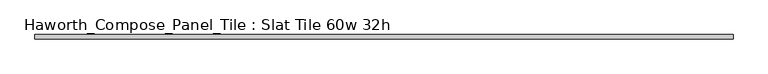
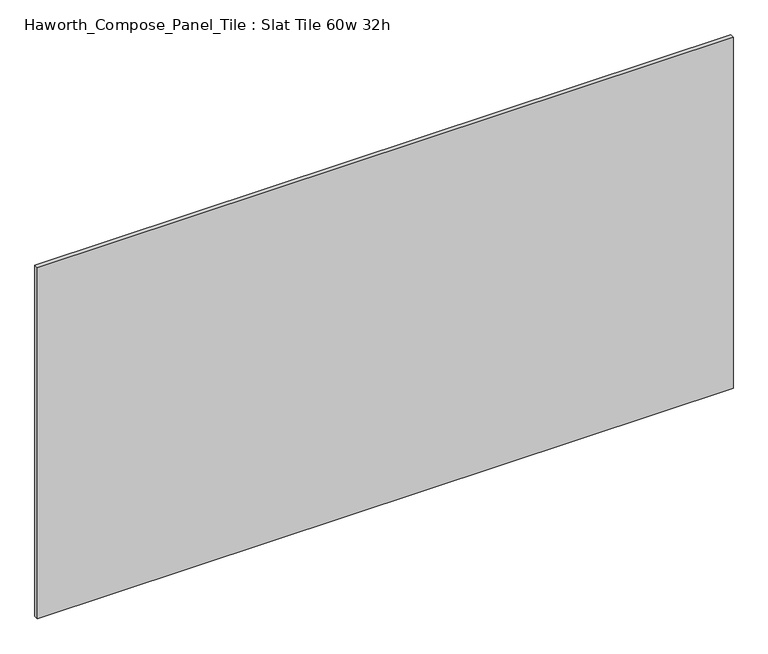
"""IFC4 building model written with IfcOpenShell, lengths in millimetres: furniture geometry, Haworth_Compose_Panel_Tile : Slat Tile 60w 32h."""

from ifc_helpers import new_model, si_unit, frame, origin, place, context, project, spatial, polyline, outline, extrude, source, transform, mapped, element, save


def haworth_compose_panel_tile_slat_tile_60w_32h_48eb153b(model_context):
    return source(origin(), model_context, "Body", "SweptSolid", [
        extrude(outline(polyline([(764.4402902, -25.7218594), (-759.5597098, -25.7218594), (-759.5597098, -16.1968594), (764.4402902, -16.1968594), (764.4402902, -25.7218594)])), frame((0.0, 0.0, 1066.8), z_axis=(0.0, 0.0, 1.0), x_axis=(1.0, 0.0, 0.0)), (0.0, 0.0, 1.0), 812.8),
    ])


if __name__ == "__main__":
    model = new_model("IFC4")
    model_context = context("Model", 3, world=origin())
    ifc_project = project(units=[si_unit("LENGTHUNIT", "METRE", prefix="MILLI")], contexts=[model_context])
    site = spatial("IfcSite", under=ifc_project)
    building = spatial("IfcBuilding", under=site)
    placement = place(None, origin())
    haworth_compose_panel_tile_slat_tile_60w_32h_shape = haworth_compose_panel_tile_slat_tile_60w_32h_48eb153b(model_context)
    element("IfcFurniture", 1, ObjectType="Haworth_Compose_Panel_Tile : Slat Tile 60w 32h", at=placement, inside=building, context=model_context, shape_type="MappedRepresentation", body=[
        mapped(haworth_compose_panel_tile_slat_tile_60w_32h_shape, transform((0.0, 0.0, 0.0), x_axis=(1.0, 0.0, 0.0), y_axis=(0.0, 1.0, 0.0), z_axis=(0.0, 0.0, 1.0))),
    ])
    save(model, "model.ifc")
